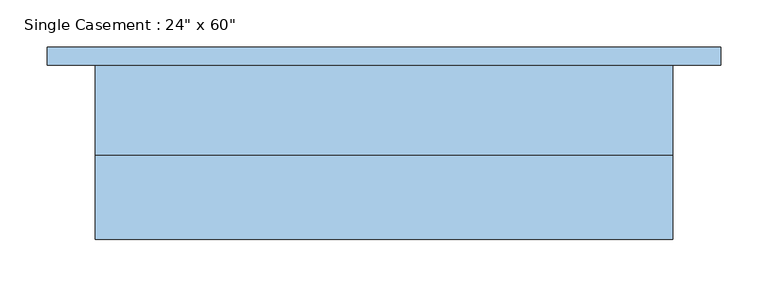
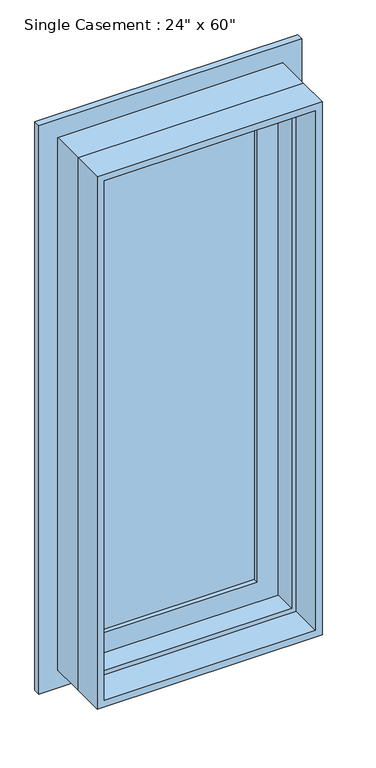
"""IFC4 building model written with IfcOpenShell, lengths in millimetres: window geometry."""

from ifc_helpers import new_model, si_unit, frame, origin, place, context, project, spatial, polyline, outline, extrude, faceted_brep, source, transform, mapped, element, save


def window_438e14fb(model_context):
    return source(origin(), model_context, "Body", "SolidModel", [
        extrude(outline(polyline([(863.6, 355.6), (2489.2, 355.6), (2489.2, -355.6), (863.6, -355.6), (863.6, 355.6)]), holes=[polyline([(914.4, 304.8), (914.4, -304.8), (2438.4, -304.8), (2438.4, 304.8), (914.4, 304.8)])]), frame((0.0, 92.075, 0.0), z_axis=(0.0, 1.0, 0.0), x_axis=(0.0, 0.0, 1.0)), (0.0, 0.0, 1.0), 19.05),
        extrude(outline(polyline([(215.9, 92.075), (215.9, 85.725), (-215.9, 85.725), (-215.9, 92.075), (215.9, 92.075)])), frame((0.0, 0.0, 1003.3), z_axis=(0.0, 0.0, 1.0), x_axis=(1.0, 0.0, 0.0)), (0.0, 0.0, 1.0), 1346.2),
        extrude(outline(polyline([(-215.9, 73.025), (-215.9, 79.375), (215.9, 79.375), (215.9, 73.025), (-215.9, 73.025)])), frame((0.0, 0.0, 1003.3), z_axis=(0.0, 0.0, 1.0), x_axis=(1.0, 0.0, 0.0)), (0.0, 0.0, 1.0), 1346.2),
        extrude(outline(polyline([(2425.7, -292.1), (927.1, -292.1), (927.1, 292.1), (2425.7, 292.1), (2425.7, -292.1)]), holes=[polyline([(2349.5, 215.9), (1003.3, 215.9), (1003.3, -215.9), (2349.5, -215.9), (2349.5, 215.9)])]), frame((0.0, 60.325, 0.0), z_axis=(0.0, 1.0, 0.0), x_axis=(0.0, 0.0, 1.0)), (0.0, 0.0, 1.0), 44.45),
        extrude(outline(polyline([(2438.4, -304.8), (914.4, -304.8), (914.4, 304.8), (2438.4, 304.8), (2438.4, -304.8)]), holes=[polyline([(2419.35, 285.75), (933.45, 285.75), (933.45, -285.75), (2419.35, -285.75), (2419.35, 285.75)])]), frame((0.0, -92.075, 0.0), z_axis=(0.0, 1.0, 0.0), x_axis=(0.0, 0.0, 1.0)), (0.0, 0.0, 1.0), 88.9),
        faceted_brep([(273.05, 60.325, 2406.65), (273.05, -3.175, 2406.65), (-273.05, -3.175, 2406.65), (-273.05, 60.325, 2406.65), (292.1, 111.125, 2425.7), (292.1, 60.325, 2425.7), (-292.1, 60.325, 2425.7), (-292.1, 111.125, 2425.7), (304.8, -3.175, 2438.4), (304.8, 111.125, 2438.4), (-304.8, 111.125, 2438.4), (-304.8, -3.175, 2438.4), (-273.05, -3.175, 946.15), (-273.05, 60.325, 946.15), (-292.1, 60.325, 927.1), (-292.1, 111.125, 927.1), (-304.8, 111.125, 914.4), (-304.8, -3.175, 914.4), (273.05, -3.175, 946.15), (273.05, 60.325, 946.15), (292.1, 60.325, 927.1), (292.1, 111.125, 927.1), (304.8, 111.125, 914.4), (304.8, -3.175, 914.4)], [[[0, 1, 2, 3]], [[4, 5, 6, 7]], [[8, 9, 10, 11]], [[3, 2, 12, 13]], [[7, 6, 14, 15]], [[11, 10, 16, 17]], [[13, 12, 18, 19]], [[15, 14, 20, 21]], [[17, 16, 22, 23]], [[11, 17, 23, 8], [1, 18, 12, 2]], [[19, 18, 1, 0]], [[5, 20, 14, 6], [3, 13, 19, 0]], [[21, 20, 5, 4]], [[23, 22, 9, 8]], [[9, 22, 16, 10], [7, 15, 21, 4]]]),
    ])


if __name__ == "__main__":
    model = new_model("IFC4")
    model_context = context("Model", 3, world=origin())
    ifc_project = project(units=[si_unit("LENGTHUNIT", "METRE", prefix="MILLI")], contexts=[model_context])
    site = spatial("IfcSite", under=ifc_project)
    building = spatial("IfcBuilding", under=site)
    placement = place(None, origin())
    window_shape = window_438e14fb(model_context)
    element("IfcWindow", 1, ObjectType="Single Casement : 24\" x 60\"", at=placement, inside=building, context=model_context, shape_type="MappedRepresentation", body=[
        mapped(window_shape, transform((0.0, 0.0, 0.0), x_axis=(1.0, 0.0, 0.0), y_axis=(0.0, 1.0, 0.0), z_axis=(0.0, 0.0, 1.0))),
    ])
    save(model, "model.ifc")
